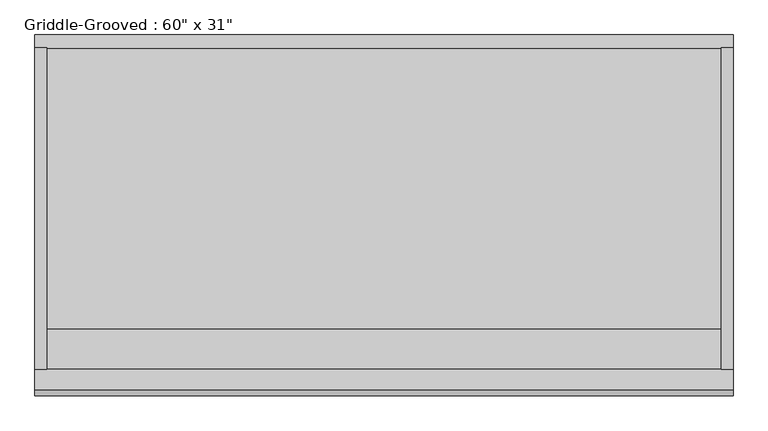
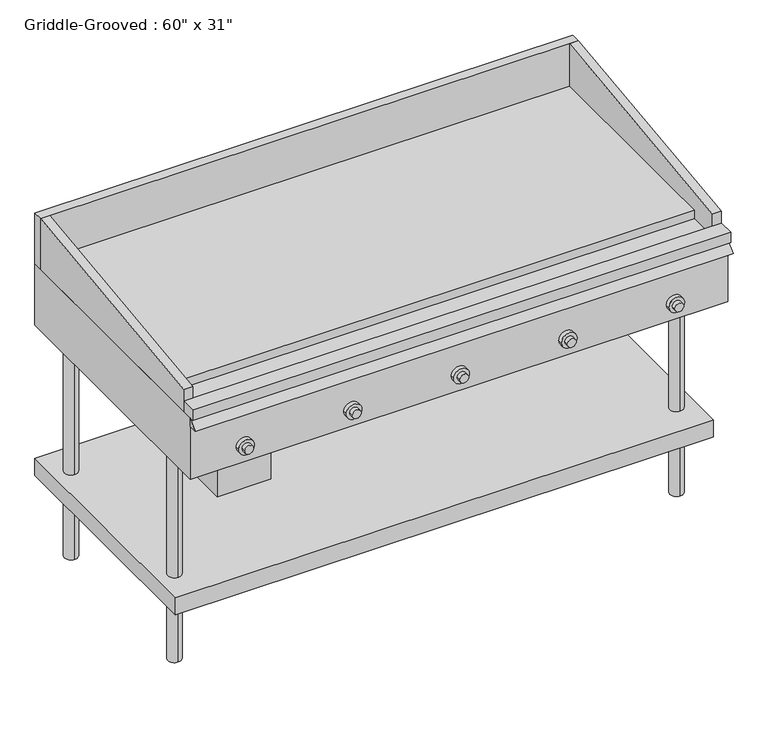
"""IFC4 building model written with IfcOpenShell, lengths in millimetres: proxy geometry."""

from ifc_helpers import new_model, si_unit, point, frame, frame_2d, origin, origin_with_axes, place, context, project, spatial, polyline, circle_curve, trimmed, segment, composite_curve, outline, extrude, source, transform, mapped, element, save


def proxy_62da7370(model_context):
    return source(origin(), model_context, "Body", "SweptSolid", [
        extrude(outline(polyline([(-608.8113704, -749.3), (-608.8113704, -215.9), (-456.4113704, -215.9), (-456.4113704, -749.3), (-608.8113704, -749.3)])), frame((0.0, 0.0, 565.15), z_axis=(0.0, 0.0, 1.0), x_axis=(1.0, 0.0, 0.0)), (0.0, 0.0, 1.0), 88.9),
        extrude(outline(composite_curve([segment(trimmed(circle_curve(frame_2d((704.85, 374.5186533)), 12.7), [point((704.85, 361.8186533))], [point((704.85, 387.2186533))], False, "CARTESIAN"), True, "CONTINUOUS"), segment(trimmed(circle_curve(frame_2d((704.85, 374.5186533)), 12.7), [point((704.85, 387.2186533))], [point((704.85, 361.8186533))], False, "CARTESIAN"), True, "CONTINUOUS")], self_intersect=False)), frame((0.0, -787.4, 0.0), z_axis=(0.0, 1.0, 0.0), x_axis=(0.0, 0.0, 1.0)), (0.0, 0.0, 1.0), 12.7),
        extrude(outline(composite_curve([segment(trimmed(circle_curve(frame_2d((704.85, 69.7186533)), 12.7), [point((704.85, 57.0186533))], [point((704.85, 82.4186533))], False, "CARTESIAN"), True, "CONTINUOUS"), segment(trimmed(circle_curve(frame_2d((704.85, 69.7186533)), 12.7), [point((704.85, 82.4186533))], [point((704.85, 57.0186533))], False, "CARTESIAN"), True, "CONTINUOUS")], self_intersect=False)), frame((0.0, -787.4, 0.0), z_axis=(0.0, 1.0, 0.0), x_axis=(0.0, 0.0, 1.0)), (0.0, 0.0, 1.0), 12.7),
        extrude(outline(composite_curve([segment(trimmed(circle_curve(frame_2d((704.85, -235.0813467)), 12.7), [point((704.85, -247.7813467))], [point((704.85, -222.3813467))], False, "CARTESIAN"), True, "CONTINUOUS"), segment(trimmed(circle_curve(frame_2d((704.85, -235.0813467)), 12.7), [point((704.85, -222.3813467))], [point((704.85, -247.7813467))], False, "CARTESIAN"), True, "CONTINUOUS")], self_intersect=False)), frame((0.0, -787.4, 0.0), z_axis=(0.0, 1.0, 0.0), x_axis=(0.0, 0.0, 1.0)), (0.0, 0.0, 1.0), 12.7),
        extrude(outline(composite_curve([segment(trimmed(circle_curve(frame_2d((704.85, 679.3186533)), 12.7), [point((704.85, 692.0186533))], [point((704.85, 666.6186533))], False, "CARTESIAN"), True, "CONTINUOUS"), segment(trimmed(circle_curve(frame_2d((704.85, 679.3186533)), 12.7), [point((704.85, 666.6186533))], [point((704.85, 692.0186533))], False, "CARTESIAN"), True, "CONTINUOUS")], self_intersect=False)), frame((0.0, -787.4, 0.0), z_axis=(0.0, 1.0, 0.0), x_axis=(0.0, 0.0, 1.0)), (0.0, 0.0, 1.0), 12.7),
        extrude(outline(composite_curve([segment(trimmed(circle_curve(frame_2d((704.85, 679.3186533)), 12.7), [point((704.85, 692.0186533))], [point((704.85, 666.6186533))], False, "CARTESIAN"), True, "CONTINUOUS"), segment(trimmed(circle_curve(frame_2d((704.85, 679.3186533)), 12.7), [point((704.85, 666.6186533))], [point((704.85, 692.0186533))], False, "CARTESIAN"), True, "CONTINUOUS")], self_intersect=False)), frame((0.0, -787.4, 0.0), z_axis=(0.0, 1.0, 0.0), x_axis=(0.0, 0.0, 1.0)), (0.0, 0.0, 1.0), 12.7),
        extrude(outline(composite_curve([segment(trimmed(circle_curve(frame_2d((704.85, 374.5186533)), 22.225), [point((704.85, 396.7436533))], [point((704.85, 352.2936533))], False, "CARTESIAN"), True, "CONTINUOUS"), segment(trimmed(circle_curve(frame_2d((704.85, 374.5186533)), 22.225), [point((704.85, 352.2936533))], [point((704.85, 396.7436533))], False, "CARTESIAN"), True, "CONTINUOUS")], self_intersect=False)), frame((0.0, -774.7, 0.0), z_axis=(0.0, 1.0, 0.0), x_axis=(0.0, 0.0, 1.0)), (0.0, 0.0, 1.0), 12.7),
        extrude(outline(composite_curve([segment(trimmed(circle_curve(frame_2d((704.85, 679.3186533)), 12.7), [point((704.85, 692.0186533))], [point((704.85, 666.6186533))], False, "CARTESIAN"), True, "CONTINUOUS"), segment(trimmed(circle_curve(frame_2d((704.85, 679.3186533)), 12.7), [point((704.85, 666.6186533))], [point((704.85, 692.0186533))], False, "CARTESIAN"), True, "CONTINUOUS")], self_intersect=False)), frame((0.0, -787.4, 0.0), z_axis=(0.0, 1.0, 0.0), x_axis=(0.0, 0.0, 1.0)), (0.0, 0.0, 1.0), 12.7),
        extrude(outline(composite_curve([segment(trimmed(circle_curve(frame_2d((704.85, 679.3186533)), 22.225), [point((704.85, 701.5436533))], [point((704.85, 657.0936533))], False, "CARTESIAN"), True, "CONTINUOUS"), segment(trimmed(circle_curve(frame_2d((704.85, 679.3186533)), 22.225), [point((704.85, 657.0936533))], [point((704.85, 701.5436533))], False, "CARTESIAN"), True, "CONTINUOUS")], self_intersect=False)), frame((0.0, -774.7, 0.0), z_axis=(0.0, 1.0, 0.0), x_axis=(0.0, 0.0, 1.0)), (0.0, 0.0, 1.0), 12.7),
        extrude(outline(composite_curve([segment(trimmed(circle_curve(frame_2d((704.85, -539.8813467)), 12.7), [point((704.85, -552.5813467))], [point((704.85, -527.1813467))], False, "CARTESIAN"), True, "CONTINUOUS"), segment(trimmed(circle_curve(frame_2d((704.85, -539.8813467)), 12.7), [point((704.85, -527.1813467))], [point((704.85, -552.5813467))], False, "CARTESIAN"), True, "CONTINUOUS")], self_intersect=False)), frame((0.0, -787.4, 0.0), z_axis=(0.0, 1.0, 0.0), x_axis=(0.0, 0.0, 1.0)), (0.0, 0.0, 1.0), 12.7),
        extrude(outline(composite_curve([segment(trimmed(circle_curve(frame_2d((704.85, 69.7186533)), 22.225), [point((704.85, 47.4936533))], [point((704.85, 91.9436533))], False, "CARTESIAN"), True, "CONTINUOUS"), segment(trimmed(circle_curve(frame_2d((704.85, 69.7186533)), 22.225), [point((704.85, 91.9436533))], [point((704.85, 47.4936533))], False, "CARTESIAN"), True, "CONTINUOUS")], self_intersect=False)), frame((0.0, -774.7, 0.0), z_axis=(0.0, 1.0, 0.0), x_axis=(0.0, 0.0, 1.0)), (0.0, 0.0, 1.0), 12.7),
        extrude(outline(composite_curve([segment(trimmed(circle_curve(frame_2d((704.85, -539.8813467)), 12.7), [point((704.85, -552.5813467))], [point((704.85, -527.1813467))], False, "CARTESIAN"), True, "CONTINUOUS"), segment(trimmed(circle_curve(frame_2d((704.85, -539.8813467)), 12.7), [point((704.85, -527.1813467))], [point((704.85, -552.5813467))], False, "CARTESIAN"), True, "CONTINUOUS")], self_intersect=False)), frame((0.0, -787.4, 0.0), z_axis=(0.0, 1.0, 0.0), x_axis=(0.0, 0.0, 1.0)), (0.0, 0.0, 1.0), 12.7),
        extrude(outline(composite_curve([segment(trimmed(circle_curve(frame_2d((704.85, -235.0813467)), 22.225), [point((704.85, -257.3063467))], [point((704.85, -212.8563467))], False, "CARTESIAN"), True, "CONTINUOUS"), segment(trimmed(circle_curve(frame_2d((704.85, -235.0813467)), 22.225), [point((704.85, -212.8563467))], [point((704.85, -257.3063467))], False, "CARTESIAN"), True, "CONTINUOUS")], self_intersect=False)), frame((0.0, -774.7, 0.0), z_axis=(0.0, 1.0, 0.0), x_axis=(0.0, 0.0, 1.0)), (0.0, 0.0, 1.0), 12.7),
        extrude(outline(composite_curve([segment(trimmed(circle_curve(frame_2d((704.85, -539.8813467)), 12.7), [point((704.85, -552.5813467))], [point((704.85, -527.1813467))], False, "CARTESIAN"), True, "CONTINUOUS"), segment(trimmed(circle_curve(frame_2d((704.85, -539.8813467)), 12.7), [point((704.85, -527.1813467))], [point((704.85, -552.5813467))], False, "CARTESIAN"), True, "CONTINUOUS")], self_intersect=False)), frame((0.0, -787.4, 0.0), z_axis=(0.0, 1.0, 0.0), x_axis=(0.0, 0.0, 1.0)), (0.0, 0.0, 1.0), 12.7),
        extrude(outline(composite_curve([segment(trimmed(circle_curve(frame_2d((704.85, -539.8813467)), 22.225), [point((704.85, -562.1063467))], [point((704.85, -517.6563467))], False, "CARTESIAN"), True, "CONTINUOUS"), segment(trimmed(circle_curve(frame_2d((704.85, -539.8813467)), 22.225), [point((704.85, -517.6563467))], [point((704.85, -562.1063467))], False, "CARTESIAN"), True, "CONTINUOUS")], self_intersect=False)), frame((0.0, -774.7, 0.0), z_axis=(0.0, 1.0, 0.0), x_axis=(0.0, 0.0, 1.0)), (0.0, 0.0, 1.0), 12.7),
        extrude(outline(polyline([(-730.25, 904.875), (-28.575, 990.9896591), (-28.575, 838.2), (-730.25, 838.2), (-730.25, 904.875)])), frame((806.3186533, 0.0, 0.0), z_axis=(1.0, 0.0, 0.0), x_axis=(0.0, 1.0, 0.0)), (0.0, 0.0, 1.0), 25.4),
        extrude(outline(polyline([(-730.25, 904.875), (-28.575, 990.9896591), (-28.575, 838.2), (-730.25, 838.2), (-730.25, 904.875)])), frame((-692.2813467, 0.0, 0.0), z_axis=(1.0, 0.0, 0.0), x_axis=(0.0, 1.0, 0.0)), (0.0, 0.0, 1.0), 25.4),
        extrude(outline(polyline([(-666.8813467, -641.35), (-666.8813467, -28.575), (806.3186533, -28.575), (806.3186533, -641.35), (-666.8813467, -641.35)])), frame((0.0, 0.0, 838.2), z_axis=(0.0, 0.0, 1.0), x_axis=(1.0, 0.0, 0.0)), (0.0, 0.0, 1.0), 25.4),
        extrude(outline(polyline([(-762.0, 812.8), (-787.4, 812.8), (-762.0, 838.2), (-762.0, 812.8)])), frame((-692.2813467, 0.0, 0.0), z_axis=(1.0, 0.0, 0.0), x_axis=(0.0, 1.0, 0.0)), (0.0, 0.0, 1.0), 1524.0),
        extrude(outline(polyline([(-692.2813467, -28.575), (-692.2813467, 0.0), (831.7186533, 0.0), (831.7186533, -28.575), (-692.2813467, -28.575)])), frame((0.0, 0.0, 838.2), z_axis=(0.0, 0.0, 1.0), x_axis=(1.0, 0.0, 0.0)), (0.0, 0.0, 1.0), 152.4),
        extrude(outline(polyline([(-692.2813467, -774.7), (-692.2813467, -730.25), (831.7186533, -730.25), (831.7186533, -774.7), (-692.2813467, -774.7)])), frame((0.0, 0.0, 838.2), z_axis=(0.0, 0.0, 1.0), x_axis=(1.0, 0.0, 0.0)), (0.0, 0.0, 1.0), 31.75),
        extrude(outline(polyline([(-692.2813467, -762.0), (-692.2813467, 0.0), (831.7186533, 0.0), (831.7186533, -762.0), (-692.2813467, -762.0)])), frame((0.0, 0.0, 654.05), z_axis=(0.0, 0.0, 1.0), x_axis=(1.0, 0.0, 0.0)), (0.0, 0.0, 1.0), 184.15),
        extrude(outline(composite_curve([segment(trimmed(circle_curve(frame_2d((780.9186533, -596.9)), 19.05), [point((780.9186533, -577.85))], [point((780.9186533, -615.95))], False, "CARTESIAN"), True, "CONTINUOUS"), segment(trimmed(circle_curve(frame_2d((780.9186533, -596.9)), 19.05), [point((780.9186533, -615.95))], [point((780.9186533, -577.85))], False, "CARTESIAN"), True, "CONTINUOUS")], self_intersect=False)), frame((0.0, 0.0, 254.0), z_axis=(0.0, 0.0, 1.0), x_axis=(1.0, 0.0, 0.0)), (0.0, 0.0, 1.0), 400.05),
        extrude(outline(composite_curve([segment(trimmed(circle_curve(frame_2d((-641.4813467, -596.9)), 19.05), [point((-641.4813467, -577.85))], [point((-641.4813467, -615.95))], False, "CARTESIAN"), True, "CONTINUOUS"), segment(trimmed(circle_curve(frame_2d((-641.4813467, -596.9)), 19.05), [point((-641.4813467, -615.95))], [point((-641.4813467, -577.85))], False, "CARTESIAN"), True, "CONTINUOUS")], self_intersect=False)), frame((0.0, 0.0, 254.0), z_axis=(0.0, 0.0, 1.0), x_axis=(1.0, 0.0, 0.0)), (0.0, 0.0, 1.0), 400.05),
        extrude(outline(composite_curve([segment(trimmed(circle_curve(frame_2d((780.9186533, -88.9)), 19.05), [point((780.9186533, -69.85))], [point((780.9186533, -107.95))], False, "CARTESIAN"), True, "CONTINUOUS"), segment(trimmed(circle_curve(frame_2d((780.9186533, -88.9)), 19.05), [point((780.9186533, -107.95))], [point((780.9186533, -69.85))], False, "CARTESIAN"), True, "CONTINUOUS")], self_intersect=False)), frame((0.0, 0.0, 254.0), z_axis=(0.0, 0.0, 1.0), x_axis=(1.0, 0.0, 0.0)), (0.0, 0.0, 1.0), 400.05),
        extrude(outline(composite_curve([segment(trimmed(circle_curve(frame_2d((-641.4813467, -88.9)), 19.05), [point((-641.4813467, -69.85))], [point((-641.4813467, -107.95))], False, "CARTESIAN"), True, "CONTINUOUS"), segment(trimmed(circle_curve(frame_2d((-641.4813467, -88.9)), 19.05), [point((-641.4813467, -107.95))], [point((-641.4813467, -69.85))], False, "CARTESIAN"), True, "CONTINUOUS")], self_intersect=False)), frame((0.0, 0.0, 254.0), z_axis=(0.0, 0.0, 1.0), x_axis=(1.0, 0.0, 0.0)), (0.0, 0.0, 1.0), 400.05),
        extrude(outline(composite_curve([segment(trimmed(circle_curve(frame_2d((780.9186533, -596.9)), 19.05), [point((780.9186533, -577.85))], [point((780.9186533, -615.95))], False, "CARTESIAN"), True, "CONTINUOUS"), segment(trimmed(circle_curve(frame_2d((780.9186533, -596.9)), 19.05), [point((780.9186533, -615.95))], [point((780.9186533, -577.85))], False, "CARTESIAN"), True, "CONTINUOUS")], self_intersect=False)), origin_with_axes(), (0.0, 0.0, 1.0), 203.2),
        extrude(outline(composite_curve([segment(trimmed(circle_curve(frame_2d((-641.4813467, -596.9)), 19.05), [point((-641.4813467, -577.85))], [point((-641.4813467, -615.95))], False, "CARTESIAN"), True, "CONTINUOUS"), segment(trimmed(circle_curve(frame_2d((-641.4813467, -596.9)), 19.05), [point((-641.4813467, -615.95))], [point((-641.4813467, -577.85))], False, "CARTESIAN"), True, "CONTINUOUS")], self_intersect=False)), origin_with_axes(), (0.0, 0.0, 1.0), 203.2),
        extrude(outline(composite_curve([segment(trimmed(circle_curve(frame_2d((780.9186533, -88.9)), 19.05), [point((780.9186533, -69.85))], [point((780.9186533, -107.95))], False, "CARTESIAN"), True, "CONTINUOUS"), segment(trimmed(circle_curve(frame_2d((780.9186533, -88.9)), 19.05), [point((780.9186533, -107.95))], [point((780.9186533, -69.85))], False, "CARTESIAN"), True, "CONTINUOUS")], self_intersect=False)), origin_with_axes(), (0.0, 0.0, 1.0), 203.2),
        extrude(outline(composite_curve([segment(trimmed(circle_curve(frame_2d((-641.4813467, -88.9)), 19.05), [point((-641.4813467, -69.85))], [point((-641.4813467, -107.95))], False, "CARTESIAN"), True, "CONTINUOUS"), segment(trimmed(circle_curve(frame_2d((-641.4813467, -88.9)), 19.05), [point((-641.4813467, -107.95))], [point((-641.4813467, -69.85))], False, "CARTESIAN"), True, "CONTINUOUS")], self_intersect=False)), origin_with_axes(), (0.0, 0.0, 1.0), 203.2),
        extrude(outline(polyline([(831.7186533, -688.9111794), (-692.2813467, -688.9111794), (-692.2813467, 0.0), (831.7186533, 0.0), (831.7186533, -688.9111794)])), frame((0.0, 0.0, 203.2), z_axis=(0.0, 0.0, 1.0), x_axis=(1.0, 0.0, 0.0)), (0.0, 0.0, 1.0), 50.8),
    ])


if __name__ == "__main__":
    model = new_model("IFC4")
    model_context = context("Model", 3, world=origin())
    ifc_project = project(units=[si_unit("LENGTHUNIT", "METRE", prefix="MILLI")], contexts=[model_context])
    site = spatial("IfcSite", under=ifc_project)
    building = spatial("IfcBuilding", under=site)
    placement = place(None, origin())
    proxy_shape = proxy_62da7370(model_context)
    element("IfcBuildingElementProxy", 1, Name="Griddle-Grooved : 60\" x 31\"", ObjectType="Griddle-Grooved : 60\" x 31\"", at=placement, inside=building, context=model_context, shape_type="MappedRepresentation", body=[
        mapped(proxy_shape, transform((0.0, 0.0, 0.0), x_axis=(1.0, 0.0, 0.0), y_axis=(0.0, 1.0, 0.0), z_axis=(0.0, 0.0, 1.0))),
    ])
    save(model, "model.ifc")
